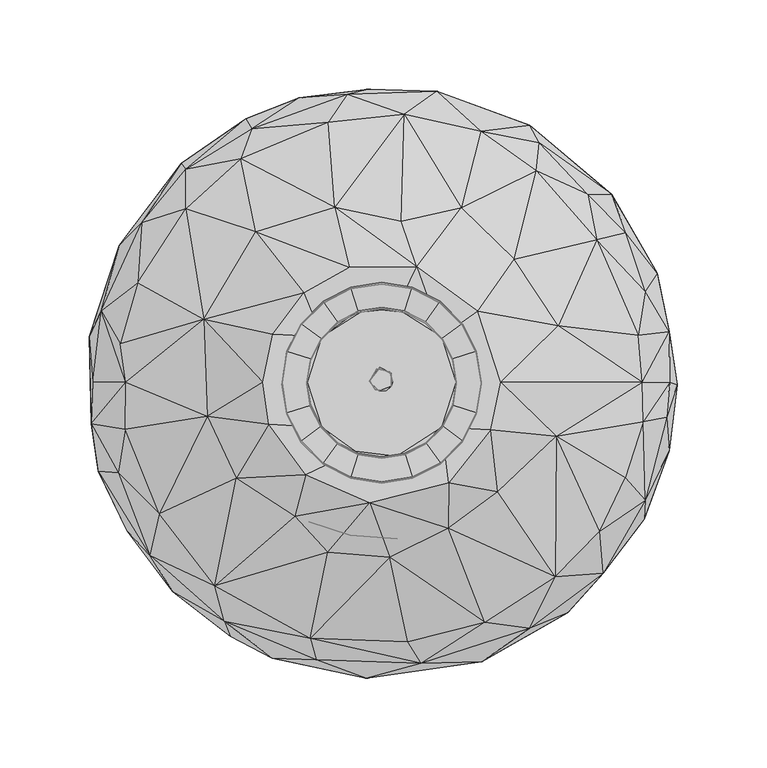
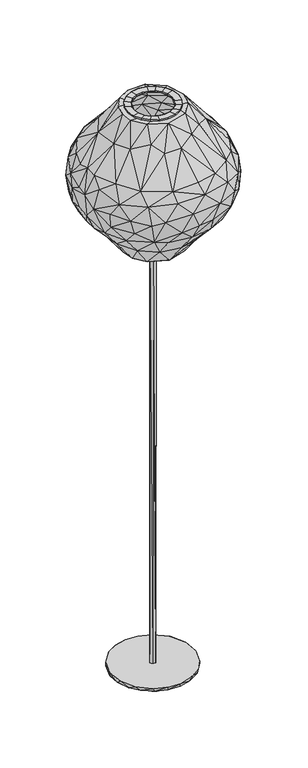
"""IFC4 building model written with IfcOpenShell, lengths in millimetres: furniture geometry."""

from ifc_helpers import new_model, si_unit, origin, place, context, project, spatial, triangles, source, transform, mapped, element, save


def furniture_39a4109b(model_context):
    return source(origin(), model_context, "Body", "Tessellation", [
        triangles([(-6.8289953, -0.9457169, 1003.2999516), (-0.9457169, 6.8289953, 1003.2999516), (-2.5713967, 6.2079031, 6.3500002), (-1.2683055, -6.3762062, 1003.2999516), (2.8552862, -5.9948699, 6.3500002), (5.6530945, -3.7772761, 1003.2999516), (-6.6312086, -0.3438034, 6.3500002), (-3.3878434, -5.492889, 6.3500002), (4.6459652, 4.6459652, 6.3500002), (5.492889, 3.3878434, 1003.2999516), (6.3712397, -1.0279203, 6.3500002)], [[1, 2, 3], [4, 5, 6], [7, 8, 1], [9, 3, 2], [6, 2, 4], [2, 10, 9], [6, 5, 11], [3, 7, 1], [2, 1, 4], [4, 1, 8], [10, 6, 11], [10, 2, 6], [5, 4, 8], [11, 9, 10]], closed=False),
        triangles([(57.8431672, -68.0139899, 0.0), (-40.7011085, -79.4679419, 0.0), (55.422471, 70.0006055, 0.0), (43.4628631, 77.9917602, 6.3500002), (4.6459652, 4.6459652, 6.3500002), (70.0006055, 55.422471, 6.3500002), (8.767236, -89.0151426, 6.3500002), (42.0246242, -78.6225356, 6.3500002), (2.8552862, -5.9948699, 6.3500002), (-89.0151426, 8.767236, 6.3500002), (-85.3104177, -25.878628, 6.3500002), (-6.6312086, -0.3438034, 6.3500002), (-55.422471, 70.0006055, 6.3500002), (-2.5713967, 6.2079031, 6.3500002), (-34.020557, 82.1328864, 6.3500002), (-79.4679419, 40.7011085, 0.0), (-43.4628631, 77.9917602, 0.0), (77.9917602, 43.4628631, 0.0), (79.4679419, -40.7011085, 0.0), (6.3712397, -1.0279203, 6.3500002), (88.6875099, -10.3083029, 6.3500002), (85.8813858, 24.4156132, 6.3500002), (-43.4628631, -77.9917602, 6.3500002), (-3.3878434, -5.492889, 6.3500002), (-70.0006055, -55.422471, 6.3500002), (8.7381567, -88.7198753, 0.0), (17.3435305, 87.1918164, 6.3500002), (-8.7381567, 88.7198753, 6.3500002), (62.8617925, -62.8617925, 6.3500002), (77.9917602, -43.4628631, 6.3500002), (-77.9917602, 43.4628631, 6.3500002), (-88.7198753, 8.7381567, 0.0), (-77.9917602, -43.4628631, 0.0), (-62.8617925, -62.8617925, 0.0), (-87.1918164, -17.3435305, 0.0), (-17.3435305, -87.1918164, 6.3500002), (-17.3435305, -87.1918164, 0.0), (88.6875099, 10.3083029, 0.0), (8.7381567, 88.7198753, 0.0), (-62.8617925, 62.8617925, 0.0), (87.1918164, -17.3435305, 0.0), (-17.3435305, 87.1918164, 0.0), (34.020557, -82.1328864, 0.0), (34.020557, 82.1328864, 0.0)], [[1, 2, 3], [4, 5, 6], [7, 8, 9], [10, 11, 12], [13, 14, 15], [2, 16, 17], [3, 18, 19], [20, 21, 22], [23, 24, 25], [2, 1, 26], [14, 27, 28], [2, 17, 3], [29, 30, 9], [1, 3, 19], [31, 10, 12], [32, 16, 33], [24, 12, 25], [27, 14, 5], [23, 25, 34], [35, 33, 11], [7, 9, 36], [2, 37, 36], [9, 30, 20], [22, 21, 38], [18, 3, 6], [27, 39, 28], [4, 6, 3], [13, 17, 40], [10, 31, 16], [21, 41, 38], [30, 1, 19], [28, 39, 42], [13, 15, 17], [34, 25, 33], [2, 33, 16], [8, 7, 43], [30, 29, 1], [3, 17, 39], [3, 44, 4], [11, 10, 35], [10, 16, 32], [7, 26, 43], [7, 36, 37], [6, 22, 18], [6, 5, 22], [31, 13, 40], [13, 31, 14], [21, 30, 19], [30, 21, 20], [19, 18, 38], [38, 18, 22], [25, 11, 33], [11, 25, 12], [31, 12, 14], [5, 4, 27], [27, 4, 44], [17, 15, 42], [42, 39, 17], [1, 43, 26], [1, 8, 43], [10, 32, 35], [35, 32, 33], [36, 23, 2], [24, 23, 36], [41, 21, 19], [38, 41, 19], [34, 2, 23], [33, 2, 34], [40, 16, 31], [40, 17, 16], [24, 36, 9], [26, 7, 37], [2, 26, 37], [8, 29, 9], [29, 8, 1], [15, 28, 42], [15, 14, 28], [39, 44, 3], [39, 27, 44], [20, 22, 5]], closed=False),
        triangles([(42.0049942, -1.4800937, 1294.85919), (42.0049942, -1.4800937, 1297.3991512), (39.9554509, 11.4602062, 1297.3991512), (39.9554509, 11.4602062, 1294.85919), (34.0074468, 23.1338191, 1297.3991512), (34.0074468, 23.1338191, 1294.85919), (24.7432163, 32.398052, 1297.3991512), (24.7432163, 32.398052, 1294.85919), (13.0696022, 38.346056, 1297.3991512), (13.0696022, 38.346056, 1294.85919), (0.1293022, 40.3955948, 1297.3991512), (0.1293022, 40.3955948, 1294.85919), (-12.8109981, 38.346056, 1297.3991512), (-12.8109981, 38.346056, 1294.85919), (-24.484611, 32.398052, 1297.3991512), (-24.484611, 32.398052, 1294.85919), (-33.7488439, 23.1338191, 1297.3991512), (-33.7488439, 23.1338191, 1294.85919), (-39.6968457, 11.4602062, 1297.3991512), (-39.6968457, 11.4602062, 1294.85919), (-41.746389, -1.4800937, 1297.3991512), (-41.746389, -1.4800937, 1294.85919), (-39.6968457, -14.4203941, 1297.3991512), (-39.6968457, -14.4203941, 1294.85919), (-33.7488439, -26.0940082, 1297.3991512), (-33.7488439, -26.0940082, 1294.85919), (-24.484611, -35.3582388, 1297.3991512), (-24.484611, -35.3582388, 1294.85919), (-12.8109981, -41.3062405, 1297.3991512), (-12.8109981, -41.3062405, 1294.85919), (0.1293022, -43.3557838, 1297.3991512), (0.1293022, -43.3557838, 1294.85919), (13.0696022, -41.3062405, 1297.3991512), (13.0696022, -41.3062405, 1294.85919), (24.7432163, -35.3582388, 1297.3991512), (24.7432163, -35.3582388, 1294.85919), (34.0074468, -26.0940082, 1297.3991512), (34.0074468, -26.0940082, 1294.85919), (39.9554509, -14.4203941, 1297.3991512), (39.9554509, -14.4203941, 1294.85919), (55.9163135, -1.4800937, 1298.2429951), (55.9163135, -1.4800937, 1294.85919), (53.1859024, 15.759041, 1294.85919), (53.1859024, 15.759041, 1298.2429951), (45.2619402, 31.3106888, 1294.85919), (45.2619402, 31.3106888, 1298.2429951), (32.9200836, 43.6525453, 1294.85919), (32.9200836, 43.6525453, 1298.2429951), (17.3684359, 51.5765075, 1294.85919), (17.3684359, 51.5765075, 1298.2429951), (0.1293022, 54.3069186, 1294.85919), (0.1293022, 54.3069186, 1298.2429951), (-17.1098318, 51.5765075, 1294.85919), (-17.1098318, 51.5765075, 1298.2429951), (-32.6614807, 43.6525453, 1294.85919), (-32.6614807, 43.6525453, 1298.2429951), (-45.0033395, 31.3106888, 1294.85919), (-45.0033395, 31.3106888, 1298.2429951), (-52.9272972, 15.759041, 1294.85919), (-52.9272972, 15.759041, 1298.2429951), (-55.6577083, -1.4800937, 1294.85919), (-55.6577083, -1.4800937, 1298.2429951), (-52.9272972, -18.7192278, 1294.85919), (-52.9272972, -18.7192278, 1298.2429951), (-45.0033395, -34.2708755, 1294.85919), (-45.0033395, -34.2708755, 1298.2429951), (-32.6614807, -46.6127344, 1294.85919), (-32.6614807, -46.6127344, 1298.2429951), (-17.1098318, -54.536692, 1294.85919), (-17.1098318, -54.536692, 1298.2429951), (0.1293022, -57.2671031, 1294.85919), (0.1293022, -57.2671031, 1298.2429951), (17.3684359, -54.536692, 1294.85919), (17.3684359, -54.536692, 1298.2429951), (32.9200836, -46.6127344, 1294.85919), (32.9200836, -46.6127344, 1298.2429951), (45.2619402, -34.2708755, 1294.85919), (45.2619402, -34.2708755, 1298.2429951), (53.1859024, -18.7192278, 1294.85919), (53.1859024, -18.7192278, 1298.2429951), (41.979478, -2.1273127, 978.2299702), (41.979478, -2.1273127, 975.6900089), (39.9299346, -15.0676123, 975.6900089), (39.9299346, -15.0676123, 978.2299702), (33.9819329, -26.7412252, 975.6900089), (33.9819329, -26.7412252, 978.2299702), (24.7177, -36.0054581, 975.6900089), (24.7177, -36.0054581, 978.2299702), (13.0440882, -41.9534621, 975.6900089), (13.0440882, -41.9534621, 978.2299702), (0.1037875, -44.0030054, 975.6900089), (0.1037875, -44.0030054, 978.2299702), (-12.8365121, -41.9534621, 975.6900089), (-12.8365121, -41.9534621, 978.2299702), (-24.510125, -36.0054581, 975.6900089), (-24.510125, -36.0054581, 978.2299702), (-33.7743579, -26.7412252, 975.6900089), (-33.7743579, -26.7412252, 978.2299702), (-39.7223619, -15.0676123, 975.6900089), (-39.7223619, -15.0676123, 978.2299702), (-41.7719052, -2.1273127, 975.6900089), (-41.7719052, -2.1273127, 978.2299702), (-39.7223619, 10.8129869, 975.6900089), (-39.7223619, 10.8129869, 978.2299702), (-33.7743579, 22.4865998, 975.6900089), (-33.7743579, 22.4865998, 978.2299702), (-24.510125, 31.7508327, 975.6900089), (-24.510125, 31.7508327, 978.2299702), (-12.8365121, 37.6988367, 975.6900089), (-12.8365121, 37.6988367, 978.2299702), (0.1037875, 39.7483778, 975.6900089), (0.1037875, 39.7483778, 978.2299702), (13.0440882, 37.6988367, 975.6900089), (13.0440882, 37.6988367, 978.2299702), (24.7177, 31.7508327, 975.6900089), (24.7177, 31.7508327, 978.2299702), (33.9819329, 22.4865998, 975.6900089), (33.9819329, 22.4865998, 978.2299702), (39.9299346, 10.8129869, 975.6900089), (39.9299346, 10.8129869, 978.2299702), (55.8907972, -2.1273127, 974.8461651), (55.8907972, -2.1273127, 978.2299702), (53.1603861, -19.366446, 978.2299702), (53.1603861, -19.366446, 974.8461651), (45.2364285, -34.9180948, 978.2299702), (45.2364285, -34.9180948, 974.8461651), (32.8945696, -47.2599514, 978.2299702), (32.8945696, -47.2599514, 974.8461651), (17.3429219, -55.1839136, 978.2299702), (17.3429219, -55.1839136, 974.8461651), (0.1037875, -57.9143247, 978.2299702), (0.1037875, -57.9143247, 974.8461651), (-17.1353469, -55.1839136, 978.2299702), (-17.1353469, -55.1839136, 974.8461651), (-32.6869946, -47.2599514, 978.2299702), (-32.6869946, -47.2599514, 974.8461651), (-45.0288512, -34.9180948, 978.2299702), (-45.0288512, -34.9180948, 974.8461651), (-52.9528134, -19.366446, 978.2299702), (-52.9528134, -19.366446, 974.8461651), (-55.6832245, -2.1273127, 978.2299702), (-55.6832245, -2.1273127, 974.8461651), (-52.9528134, 15.1118217, 978.2299702), (-52.9528134, 15.1118217, 974.8461651), (-45.0288512, 30.6634695, 978.2299702), (-45.0288512, 30.6634695, 974.8461651), (-32.6869946, 43.0053283, 978.2299702), (-32.6869946, 43.0053283, 974.8461651), (-17.1353469, 50.929286, 978.2299702), (-17.1353469, 50.929286, 974.8461651), (0.1037875, 53.6596971, 978.2299702), (0.1037875, 53.6596971, 974.8461651), (17.3429219, 50.929286, 978.2299702), (17.3429219, 50.929286, 974.8461651), (32.8945696, 43.0053283, 978.2299702), (32.8945696, 43.0053283, 974.8461651), (45.2364285, 30.6634695, 978.2299702), (45.2364285, 30.6634695, 974.8461651), (53.1603861, 15.1118217, 978.2299702), (53.1603861, 15.1118217, 974.8461651)], [[1, 2, 3], [1, 3, 4], [4, 3, 5], [4, 5, 6], [6, 5, 7], [6, 7, 8], [8, 7, 9], [8, 9, 10], [10, 9, 11], [10, 11, 12], [12, 11, 13], [12, 13, 14], [14, 13, 15], [14, 15, 16], [16, 15, 17], [16, 17, 18], [18, 17, 19], [18, 19, 20], [20, 19, 21], [20, 21, 22], [22, 21, 23], [22, 23, 24], [24, 23, 25], [24, 25, 26], [26, 25, 27], [26, 27, 28], [28, 27, 29], [28, 29, 30], [30, 29, 31], [30, 31, 32], [32, 31, 33], [32, 33, 34], [34, 33, 35], [34, 35, 36], [36, 35, 37], [36, 37, 38], [38, 37, 39], [38, 39, 40], [40, 39, 2], [40, 2, 1], [41, 42, 43], [41, 43, 44], [44, 43, 45], [44, 45, 46], [46, 45, 47], [46, 47, 48], [48, 47, 49], [48, 49, 50], [50, 49, 51], [50, 51, 52], [52, 51, 53], [52, 53, 54], [54, 53, 55], [54, 55, 56], [56, 55, 57], [56, 57, 58], [58, 57, 59], [58, 59, 60], [60, 59, 61], [60, 61, 62], [62, 61, 63], [62, 63, 64], [64, 63, 65], [64, 65, 66], [66, 65, 67], [66, 67, 68], [68, 67, 69], [68, 69, 70], [70, 69, 71], [70, 71, 72], [72, 71, 73], [72, 73, 74], [74, 73, 75], [74, 75, 76], [76, 75, 77], [76, 77, 78], [78, 77, 79], [78, 79, 80], [80, 79, 42], [80, 42, 41], [3, 2, 41], [3, 41, 44], [5, 3, 44], [5, 44, 46], [7, 5, 46], [7, 46, 48], [9, 7, 48], [9, 48, 50], [11, 9, 50], [11, 50, 52], [13, 11, 52], [13, 52, 54], [15, 13, 54], [15, 54, 56], [17, 15, 56], [17, 56, 58], [19, 17, 58], [19, 58, 60], [21, 19, 60], [21, 60, 62], [23, 21, 62], [23, 62, 64], [25, 23, 64], [25, 64, 66], [27, 25, 66], [27, 66, 68], [29, 27, 68], [29, 68, 70], [31, 29, 70], [31, 70, 72], [33, 31, 72], [33, 72, 74], [35, 33, 74], [35, 74, 76], [37, 35, 76], [37, 76, 78], [39, 37, 78], [39, 78, 80], [2, 39, 80], [2, 80, 41], [81, 82, 83], [81, 83, 84], [84, 83, 85], [84, 85, 86], [86, 85, 87], [86, 87, 88], [88, 87, 89], [88, 89, 90], [90, 89, 91], [90, 91, 92], [92, 91, 93], [92, 93, 94], [94, 93, 95], [94, 95, 96], [96, 95, 97], [96, 97, 98], [98, 97, 99], [98, 99, 100], [100, 99, 101], [100, 101, 102], [102, 101, 103], [102, 103, 104], [104, 103, 105], [104, 105, 106], [106, 105, 107], [106, 107, 108], [108, 107, 109], [108, 109, 110], [110, 109, 111], [110, 111, 112], [112, 111, 113], [112, 113, 114], [114, 113, 115], [114, 115, 116], [116, 115, 117], [116, 117, 118], [118, 117, 119], [118, 119, 120], [120, 119, 82], [120, 82, 81], [121, 122, 123], [121, 123, 124], [124, 123, 125], [124, 125, 126], [126, 125, 127], [126, 127, 128], [128, 127, 129], [128, 129, 130], [130, 129, 131], [130, 131, 132], [132, 131, 133], [132, 133, 134], [134, 133, 135], [134, 135, 136], [136, 135, 137], [136, 137, 138], [138, 137, 139], [138, 139, 140], [140, 139, 141], [140, 141, 142], [142, 141, 143], [142, 143, 144], [144, 143, 145], [144, 145, 146], [146, 145, 147], [146, 147, 148], [148, 147, 149], [148, 149, 150], [150, 149, 151], [150, 151, 152], [152, 151, 153], [152, 153, 154], [154, 153, 155], [154, 155, 156], [156, 155, 157], [156, 157, 158], [158, 157, 159], [158, 159, 160], [160, 159, 122], [160, 122, 121], [83, 82, 121], [83, 121, 124], [85, 83, 124], [85, 124, 126], [87, 85, 126], [87, 126, 128], [89, 87, 128], [89, 128, 130], [91, 89, 130], [91, 130, 132], [93, 91, 132], [93, 132, 134], [95, 93, 134], [95, 134, 136], [97, 95, 136], [97, 136, 138], [99, 97, 138], [99, 138, 140], [101, 99, 140], [101, 140, 142], [103, 101, 142], [103, 142, 144], [105, 103, 144], [105, 144, 146], [107, 105, 146], [107, 146, 148], [109, 107, 148], [109, 148, 150], [111, 109, 150], [111, 150, 152], [113, 111, 152], [113, 152, 154], [115, 113, 154], [115, 154, 156], [117, 115, 156], [117, 156, 158], [119, 117, 158], [119, 158, 160], [82, 119, 160], [82, 160, 121]], closed=False),
        triangles([(57.8046793, -136.0418597, 1197.9670664), (4.7435908, -99.6901541, 1251.6337761), (14.8829567, -146.8391657, 1197.7361938), (-33.3431524, 23.8473044, 978.3025675), (-66.6277327, -1.4800937, 978.1004723), (-54.7355262, 36.8767757, 977.8953976), (43.6937901, -144.0734007, 1079.2471327), (4.6541363, -100.7968725, 1022.987558), (34.8593275, -95.129277, 1023.9260908), (11.2570323, 88.633825, 1261.5510487), (44.7679206, 96.3100098, 1240.9912571), (12.8943335, 148.7133155, 1191.946649), (-78.7042167, 123.6114138, 1195.2960812), (-70.4393233, 82.6344001, 1238.6648003), (-26.0189605, 96.582604, 1248.0414082), (-97.524298, -20.5477511, 1250.1638077), (-143.6081039, -27.8103551, 1197.6109835), (-124.35659, -75.3087254, 1199.6921791), (61.3530956, -28.2076464, 1295.3197723), (97.9597819, -31.9598088, 1247.6633789), (66.9476623, -1.4800937, 1295.2742809), (150.1917863, -29.4685547, 1084.023876), (133.780179, -58.002914, 1074.3940132), (91.4172579, -27.6882513, 1016.4910795), (-79.0890224, 122.0752158, 1076.3146809), (-60.9601235, 74.2797048, 1020.0426069), (-117.3214907, 86.7143655, 1075.997331), (61.6444477, 25.5818869, 977.8980137), (74.2930624, 66.7409298, 1024.4078928), (97.912719, 30.3286243, 1026.1250118), (7.6264121, -163.972822, 1110.7888847), (-8.3899465, -167.4915025, 1144.4250584), (-27.9917394, -159.8695659, 1104.8074911), (-140.1034395, -83.5417394, 1110.3060654), (-158.5770757, -51.4382711, 1138.1297304), (-139.7204415, -61.1026612, 1083.623101), (146.1315327, -1.4800937, 1196.3766111), (74.5393138, 67.3680309, 1248.0992535), (120.7735783, 78.2692414, 1200.6112364), (86.8168392, 116.9235226, 1196.6587887), (-110.0743858, -1.4800937, 1035.8749981), (-97.6789397, 43.7082605, 1032.6132059), (-43.396965, 48.6604519, 1295.2613457), (-99.438498, 33.7915034, 1243.9804642), (-60.9361697, 25.2473824, 1295.3197723), (-41.5880275, -1.4800937, 1294.85919), (-33.3431524, 23.8473044, 1294.78652), (48.0015986, 138.0087636, 1076.6203308), (42.7592859, 87.1520023, 1021.4418674), (9.1483572, 96.8692689, 1022.2664537), (115.6219124, 103.699784, 1180.7171019), (128.9661651, 103.6635399, 1140.8742577), (88.5318963, 132.6399053, 1169.5823164), (-160.288254, -27.5053228, 1110.093869), (-159.8246377, 28.2422759, 1109.7976662), (-161.6835176, -1.4800937, 1113.541769), (-163.6612494, 23.9978357, 1143.8272751), (154.5767385, 59.5048572, 1139.6754936), (161.3737255, 26.7552823, 1159.8947536), (161.1315165, 21.9671684, 1110.4623058), (161.4204341, -39.9736093, 1131.3730207), (163.8635626, -1.4800937, 1119.9897766), (165.9039359, -3.0702733, 1139.8063723), (42.7717443, 50.5746065, 977.8639315), (6.8540131, 66.1974992, 977.8515049), (-25.1657582, 60.2626143, 977.9138557), (-8.1731669, 39.9616142, 978.3751648), (-113.3698696, -95.4632228, 1077.1282213), (-97.4955297, -33.2884591, 1026.1245758), (-73.8760457, -69.7007782, 1024.4075294), (0.7233621, -148.4529844, 1076.5860306), (56.321762, -158.1001608, 1141.3949381), (83.2548837, -139.4399807, 1169.683037), (22.4837498, -159.1466812, 1174.0909075), (144.7614855, -70.7485659, 1103.2268463), (61.6473681, 149.7774221, 1112.044404), (83.0859623, 142.4076321, 1145.3642452), (95.4273329, 130.4593788, 1110.7835072), (-109.5165075, 117.880877, 1164.1694927), (-72.5304338, 140.3364286, 1172.4834475), (-75.8794754, 146.0030612, 1142.722764), (42.0049942, -1.4800937, 1294.85919), (66.3990267, -1.4800937, 1294.2593719), (60.8502102, -27.9877312, 1294.3044273), (-143.2373507, -1.4800937, 1198.8936813), (-146.3387784, 20.1173563, 1194.9917393), (33.7601214, -26.8074912, 1294.78652), (-39.9650479, -145.0657275, 1194.7986551), (-29.8986633, -96.9179487, 1249.3708328), (99.0165851, 30.1058522, 1246.1008289), (15.1651479, 37.3632399, 978.3751648), (66.9476623, -1.4800937, 977.9600012), (42.0049942, -1.4800937, 978.3751648), (33.7601214, 23.8473044, 978.4476894), (-61.255795, -156.1749694, 1137.0882969), (-93.3885947, -115.5689087, 1196.5251486), (-146.890062, 75.293333, 1136.8369314), (-94.642924, 129.6983879, 1105.645594), (-130.8893671, 95.2889329, 1111.715209), (-112.2028533, 121.0117179, 1137.9865705), (-143.558116, -28.0169468, 1075.6222813), (-41.5880275, -1.4800937, 978.3751648), (-61.2275173, -28.542001, 977.8980137), (143.1455776, 33.6529354, 1076.3276161), (146.7517165, -1.4800937, 1078.0114523), (-156.8770705, 38.4037242, 1166.7372866), (31.0478505, 161.5269502, 1147.4762529), (-7.2941235, 162.5675117, 1115.8502764), (-19.1984852, 159.9220699, 1164.7106661), (55.8039884, 138.9976113, 1191.3321516), (-74.2527533, -134.5474196, 1082.8137754), (-109.1335366, -121.5765816, 1107.522151), (54.0312859, 38.1847922, 1295.3354691), (-14.74818, -40.323429, 1294.85919), (-6.4370463, -69.1576882, 1295.3827045), (8.5901347, -42.9218032, 1294.85919), (131.3064111, -98.2489903, 1111.7151363), (147.3071423, -78.2532722, 1136.8369314), (124.2882076, -108.6320593, 1158.4376478), (65.0752294, -62.8333377, 1263.6612396), (97.5468529, -110.4254727, 1197.5471792), (28.4088037, 156.9093541, 1104.8074184), (-24.4755091, 103.4727812, 1032.70368), (-43.2767643, 141.1131708, 1079.24706), (-0.3063835, 145.4927999, 1076.5860306), (95.0600043, -132.6584997, 1105.645594), (104.3243189, -130.7270587, 1136.7082329), (117.738571, -89.6744046, 1075.997331), (79.5061209, -125.0353731, 1076.3147535), (66.7190698, -84.0453242, 1030.4062912), (-88.1148796, -135.6001443, 1169.5822437), (-36.3708132, -157.0396514, 1172.4170271), (-142.4684659, -85.0814528, 1141.32096), (-129.723023, -98.3831391, 1166.8744148), (127.3928146, 76.065774, 1079.4665234), (137.0163732, 82.0609613, 1170.005401), (-38.1349134, -92.7993229, 1021.7547117), (-33.3431524, -26.8074912, 978.4476894), (19.8209967, 63.2095865, 1295.3588688), (8.5901347, 39.9616142, 1294.85919), (33.7601214, 23.8473044, 1294.9317146), (-42.3547685, -53.5348001, 1295.3703506), (-66.5306956, -1.4800937, 1295.2742809), (-63.127047, -25.1257533, 1295.3747108), (-109.6649722, 95.6383302, 1197.5673088), (-136.3588098, 54.1891978, 1196.0705252), (-134.2346935, 87.6722194, 1167.5175442), (61.5793354, -28.2741576, 977.9966995), (33.7601214, -26.8074912, 978.3025675), (37.1864679, -57.5254586, 977.8866772), (8.5901347, -42.9218032, 978.3751648), (37.4490813, -57.5270618, 1294.3622726), (-6.3824388, -68.6014676, 1294.3666328), (-3.9546851, -69.3583527, 977.8613153), (-42.3547775, -53.534791, 977.8639315), (-14.74818, -40.323429, 978.3751648), (-40.8502773, 155.5991325, 1109.3458769), (-162.4365058, -24.8088532, 1157.7222118), (-161.7427619, -1.4800937, 1159.7681625), (37.4007081, -83.4737112, 1262.7723404), (98.4430918, 108.9321681, 1077.0173269), (122.0354653, 108.5086747, 1115.3766861), (-84.6952391, -143.8826056, 1129.9717255), (-116.979533, -118.8925794, 1137.2394505), (41.2672167, -158.5592897, 1109.3458769), (37.757688, -57.9914912, 1295.3783443), (-144.9464397, -1.4800937, 1076.0418051), (161.7171275, -1.4800937, 1161.998913), (146.7717189, -23.5880792, 1194.8280865), (147.7222786, -67.7549395, 1167.5187796), (136.7692953, -55.2193856, 1197.0008463), (122.294334, -85.1064059, 1195.183588), (159.803963, -21.0493647, 1168.0129354), (-17.9948023, 62.7057247, 1295.3308182), (-29.6361612, 143.969855, 1195.5438858), (-46.0838195, 157.7165541, 1142.7442017), (147.8032148, 49.4262391, 1180.7296011), (-144.3444597, 67.7885585, 1103.2268463), (-81.2335681, -55.2692509, 1252.6560974), (-48.3999118, -76.5580723, 1263.9962482), (147.8088104, 65.9487498, 1107.7695196), (-147.3862072, -52.3866007, 1180.7296011), (-47.5845864, -140.9689663, 1076.6203308), (158.7808969, -1.4800937, 1100.6823069), (-14.74818, 37.3632399, 1294.85919), (144.025057, 24.8500071, 1197.6109835), (-142.852109, 32.7292023, 1076.1016125), (-33.3431524, -26.8074912, 1294.9317146), (-42.004967, -53.1069964, 1294.3542789)], [[1, 2, 3], [4, 5, 6], [7, 8, 9], [10, 11, 12], [13, 14, 15], [16, 17, 18], [19, 20, 21], [22, 23, 24], [25, 26, 27], [28, 29, 30], [31, 32, 33], [34, 35, 36], [21, 20, 37], [38, 39, 40], [41, 42, 6], [43, 14, 44], [45, 46, 47], [48, 49, 50], [51, 52, 53], [36, 35, 54], [55, 56, 57], [58, 59, 60], [61, 62, 63], [49, 64, 65], [66, 67, 4], [68, 69, 70], [8, 7, 71], [72, 73, 74], [75, 22, 61], [76, 77, 78], [79, 80, 81], [82, 83, 84], [44, 85, 16], [86, 85, 44], [84, 87, 82], [88, 2, 89], [82, 87, 19], [59, 63, 60], [37, 90, 21], [91, 65, 64], [28, 92, 93], [93, 94, 28], [32, 95, 33], [88, 89, 96], [55, 57, 97], [98, 99, 100], [101, 41, 69], [5, 41, 6], [102, 103, 5], [104, 105, 30], [24, 30, 105], [17, 16, 85], [86, 106, 85], [107, 108, 109], [110, 12, 11], [68, 111, 112], [68, 70, 111], [21, 90, 113], [19, 21, 82], [114, 115, 116], [117, 118, 119], [120, 121, 20], [108, 107, 122], [123, 124, 125], [126, 117, 127], [128, 129, 130], [131, 95, 132], [133, 134, 35], [135, 30, 29], [58, 52, 136], [71, 137, 8], [102, 138, 103], [47, 43, 45], [139, 140, 141], [114, 142, 115], [143, 144, 46], [145, 13, 79], [106, 146, 147], [93, 92, 148], [149, 150, 151], [116, 152, 153], [113, 141, 21], [113, 139, 141], [154, 155, 156], [151, 150, 154], [81, 98, 100], [125, 124, 157], [57, 158, 159], [158, 57, 56], [62, 61, 22], [60, 105, 104], [1, 121, 160], [72, 127, 73], [161, 162, 135], [76, 78, 161], [163, 131, 164], [112, 111, 163], [72, 126, 127], [71, 7, 165], [4, 6, 66], [26, 124, 123], [115, 166, 116], [121, 120, 160], [56, 55, 167], [54, 167, 101], [168, 59, 37], [169, 168, 37], [170, 171, 172], [170, 173, 169], [140, 139, 174], [14, 174, 15], [175, 15, 12], [176, 80, 109], [136, 177, 58], [39, 38, 90], [27, 26, 42], [178, 55, 97], [12, 110, 107], [77, 53, 52], [32, 132, 95], [88, 3, 2], [144, 143, 16], [179, 96, 180], [44, 145, 146], [147, 146, 145], [181, 60, 104], [162, 181, 135], [134, 182, 35], [85, 158, 17], [130, 148, 23], [150, 149, 148], [183, 137, 71], [33, 95, 111], [164, 131, 134], [18, 96, 179], [172, 119, 170], [119, 121, 73], [103, 70, 69], [155, 154, 137], [159, 158, 85], [159, 85, 106], [32, 72, 74], [32, 74, 132], [108, 122, 125], [161, 48, 76], [157, 98, 81], [108, 176, 109], [105, 184, 22], [24, 105, 22], [135, 29, 161], [161, 49, 48], [179, 180, 142], [180, 115, 142], [151, 154, 156], [91, 67, 65], [185, 140, 174], [143, 44, 16], [45, 143, 46], [59, 58, 177], [37, 59, 186], [7, 126, 165], [128, 126, 129], [157, 124, 98], [27, 98, 25], [65, 50, 49], [123, 66, 26], [99, 97, 100], [79, 147, 145], [36, 69, 68], [36, 68, 34], [169, 37, 20], [20, 172, 171], [55, 178, 187], [187, 167, 55], [117, 126, 128], [22, 75, 23], [112, 34, 68], [164, 134, 133], [72, 32, 31], [165, 126, 72], [144, 188, 46], [77, 107, 110], [107, 77, 76], [109, 80, 175], [15, 175, 13], [113, 90, 38], [113, 38, 139], [166, 115, 160], [115, 89, 2], [61, 173, 170], [119, 118, 170], [9, 154, 150], [130, 150, 148], [56, 54, 158], [167, 54, 56], [187, 178, 27], [99, 98, 27], [15, 10, 12], [174, 139, 15], [109, 12, 107], [12, 109, 175], [42, 26, 6], [26, 66, 6], [73, 121, 1], [74, 73, 1], [44, 45, 43], [44, 143, 45], [19, 87, 166], [19, 120, 20], [137, 154, 8], [8, 154, 9], [152, 87, 84], [162, 52, 181], [52, 162, 77], [105, 60, 184], [62, 60, 63], [125, 122, 48], [48, 50, 125], [182, 134, 18], [134, 96, 18], [90, 37, 186], [90, 186, 39], [168, 63, 59], [173, 168, 169], [69, 41, 5], [5, 103, 69], [53, 77, 110], [40, 110, 11], [30, 24, 92], [92, 28, 30], [87, 152, 116], [116, 166, 87], [155, 137, 70], [70, 137, 111], [39, 51, 40], [177, 136, 39], [182, 158, 35], [35, 158, 54], [27, 42, 187], [187, 42, 41], [111, 137, 183], [33, 111, 183], [135, 181, 104], [30, 135, 104], [24, 148, 92], [23, 148, 24], [16, 18, 179], [144, 16, 179], [131, 88, 96], [96, 134, 131], [130, 23, 128], [23, 75, 128], [181, 52, 58], [60, 181, 58], [132, 88, 131], [74, 88, 132], [7, 9, 129], [129, 126, 7], [124, 26, 25], [25, 98, 124], [29, 49, 161], [29, 64, 49], [167, 41, 101], [41, 167, 187], [71, 33, 183], [31, 33, 71], [145, 44, 14], [145, 14, 13], [163, 164, 112], [34, 112, 164], [38, 11, 139], [38, 40, 11], [106, 147, 97], [147, 100, 97], [73, 127, 119], [119, 127, 117], [4, 102, 5], [148, 149, 93], [21, 141, 82], [57, 106, 97], [106, 57, 159], [172, 121, 119], [172, 20, 121], [65, 66, 50], [66, 65, 67], [75, 61, 118], [61, 170, 118], [2, 1, 160], [115, 2, 160], [108, 157, 176], [157, 108, 125], [103, 155, 70], [138, 155, 103], [94, 64, 28], [28, 64, 29], [36, 101, 69], [36, 54, 101], [1, 3, 74], [74, 3, 88], [107, 76, 122], [122, 76, 48], [78, 162, 161], [78, 77, 162], [180, 96, 89], [115, 180, 89], [50, 66, 123], [123, 125, 50], [86, 146, 106], [44, 146, 86], [79, 100, 147], [81, 100, 79], [176, 81, 80], [176, 157, 81], [40, 51, 53], [53, 110, 40], [62, 22, 184], [184, 60, 62], [95, 131, 163], [111, 95, 163], [174, 14, 43], [43, 185, 174], [20, 171, 169], [169, 171, 170], [165, 31, 71], [31, 165, 72], [182, 17, 158], [182, 18, 17], [177, 39, 186], [177, 186, 59], [47, 185, 43], [156, 155, 138], [114, 189, 188], [188, 142, 114], [91, 64, 94], [139, 11, 10], [15, 139, 10], [164, 133, 34], [35, 34, 133], [144, 142, 188], [144, 179, 142], [52, 51, 136], [136, 51, 39], [129, 9, 130], [9, 150, 130], [80, 79, 13], [13, 175, 80], [120, 19, 166], [166, 160, 120], [75, 117, 128], [118, 117, 75], [97, 99, 178], [178, 99, 27], [168, 173, 63], [63, 173, 61]], closed=False),
    ])


if __name__ == "__main__":
    model = new_model("IFC4")
    model_context = context("Model", 3, world=origin())
    ifc_project = project(units=[si_unit("LENGTHUNIT", "METRE", prefix="MILLI")], contexts=[model_context])
    site = spatial("IfcSite", under=ifc_project)
    building = spatial("IfcBuilding", under=site)
    placement = place(None, origin())
    furniture_shape = furniture_39a4109b(model_context)
    element("IfcFurniture", 1, at=placement, inside=building, context=model_context, shape_type="MappedRepresentation", body=[
        mapped(furniture_shape, transform((0.0, 0.0, 0.0), x_axis=(1.0, 0.0, 0.0), y_axis=(0.0, 1.0, 0.0), z_axis=(0.0, 0.0, 1.0))),
    ])
    save(model, "model.ifc")
